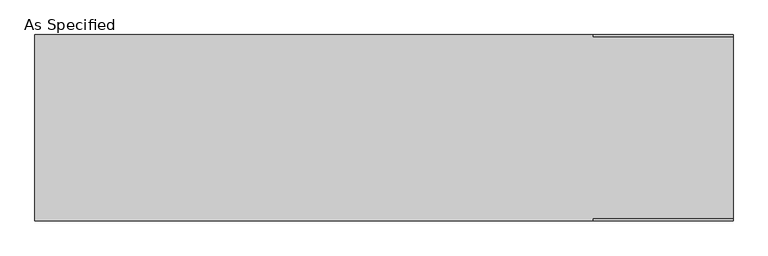
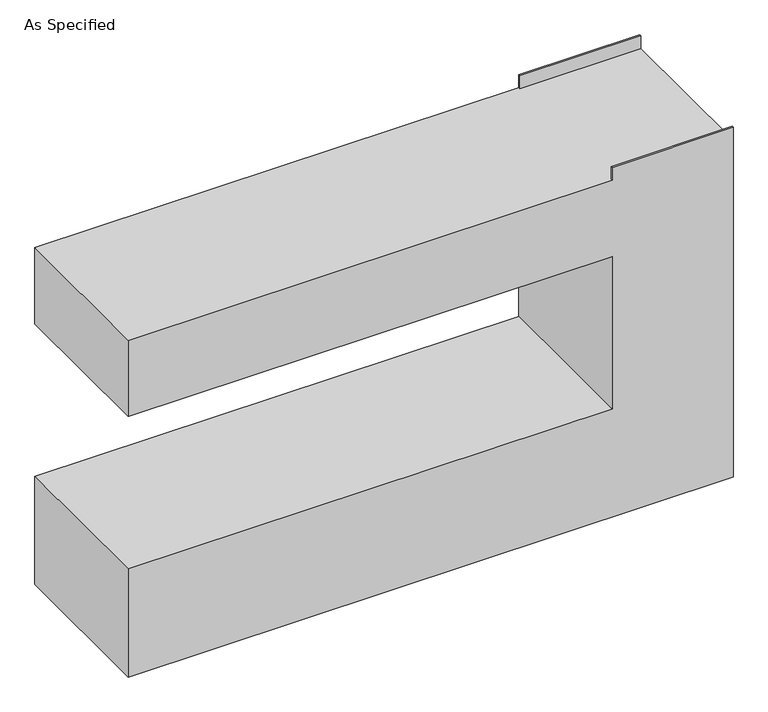
"""IFC4 building model written with IfcOpenShell, lengths in millimetres: proxy geometry, As Specified."""

from ifc_helpers import new_model, si_unit, frame, origin, place, context, project, spatial, polyline, outline, extrude, faceted_brep, source, transform, mapped, element, save


def as_specified_1b774573(model_context):
    return source(origin(), model_context, "Body", "SolidModel", [
        extrude(outline(polyline([(685.8, 298.45), (685.8, 304.8), (1143.0, 304.8), (1143.0, 298.45), (685.8, 298.45)])), frame((0.0, 0.0, 1346.2), z_axis=(0.0, 0.0, 1.0), x_axis=(1.0, 0.0, 0.0)), (0.0, 0.0, 1.0), 50.8),
        faceted_brep([(1143.0, 304.8, 1346.2), (-1143.0, 304.8, 1346.2), (-1143.0, -304.8, 1346.2), (685.8, -304.8, 1346.2), (685.8, -298.45, 1346.2), (1143.0, -298.45, 1346.2), (1143.0, 304.8, 0.0), (1143.0, -304.8, 0.0), (-1143.0, -304.8, 0.0), (-1143.0, 304.8, 0.0), (-1143.0, 304.8, 431.8), (685.8, 304.8, 431.8), (685.8, 304.8, 1041.4), (-1143.0, 304.8, 1041.4), (-1143.0, -304.8, 1041.4), (-1143.0, -304.8, 431.8), (1143.0, -304.8, 1397.0), (685.8, -304.8, 1397.0), (685.8, -304.8, 1041.4), (685.8, -304.8, 431.8), (1143.0, -298.45, 1397.0), (685.8, -298.45, 1397.0)], [[[0, 1, 2, 3, 4, 5]], [[6, 7, 8, 9]], [[1, 0, 6, 9, 10, 11, 12, 13]], [[2, 1, 13, 14]], [[9, 8, 15, 10]], [[8, 7, 16, 17, 3, 2, 14, 18, 19, 15]], [[16, 7, 6, 0, 5, 20]], [[19, 11, 10, 15]], [[11, 19, 18, 12]], [[12, 18, 14, 13]], [[17, 21, 4, 3]], [[21, 17, 16, 20]], [[4, 21, 20, 5]]]),
    ])


if __name__ == "__main__":
    model = new_model("IFC4")
    model_context = context("Model", 3, world=origin())
    ifc_project = project(units=[si_unit("LENGTHUNIT", "METRE", prefix="MILLI")], contexts=[model_context])
    site = spatial("IfcSite", under=ifc_project)
    building = spatial("IfcBuilding", under=site)
    placement = place(None, origin())
    as_specified_shape = as_specified_1b774573(model_context)
    element("IfcBuildingElementProxy", 1, Name="As Specified", ObjectType="As Specified", at=placement, inside=building, context=model_context, shape_type="MappedRepresentation", body=[
        mapped(as_specified_shape, transform((0.0, 0.0, 0.0), x_axis=(1.0, 0.0, 0.0), y_axis=(0.0, 1.0, 0.0), z_axis=(0.0, 0.0, 1.0))),
    ])
    save(model, "model.ifc")
